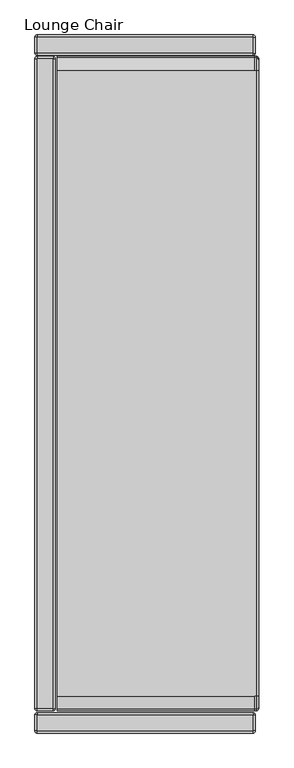
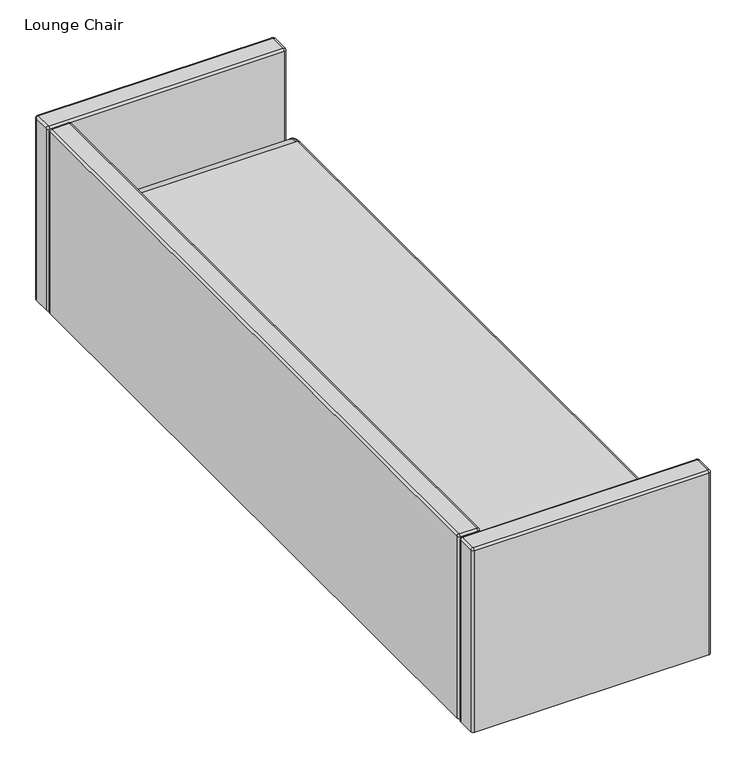
"""IFC4 building model written with IfcOpenShell, lengths in millimetres: furniture geometry, Lounge Chair."""

from ifc_helpers import new_model, si_unit, point, frame, origin, place, context, project, spatial, circle_curve, ellipse_curve, trimmed, source, transform, mapped, element, save
from ifc_brep_helpers import plane_surface, cylinder_surface, revolved_surface, advanced_brep


def lounge_chair_d19fc58a(model_context):
    return source(origin(), model_context, "Body", "AdvancedBrep", [
        advanced_brep(
        [(389.2550121, -1113.2823208, 380.4601261), (389.2550121, -1113.2823208, 158.4162102), (389.2550121, 1113.2823208, 158.4162102), (389.2550121, 1113.2823208, 380.4601261), (389.2550121, 1110.355245, 388.2040831), (389.2550121, 1072.6197436, 405.2378073), (389.2550121, -1072.6197436, 405.2378073), (389.2550121, -1110.355245, 388.2040831), (380.6423692, -1116.8145532, 393.9010082), (376.5550121, -1116.8145532, 393.9010082), (376.5550121, -1121.8949637, 380.4601261), (380.6423692, -1121.8949637, 380.4601261), (380.6423692, -1072.6197436, 413.8504501), (376.5550121, -1072.6197436, 413.8504501), (380.6423692, 1072.6197436, 413.8504501), (376.5550121, 1072.6197436, 413.8504501), (-301.6249939, 1072.6197436, 413.8504501), (-301.6249939, -1072.6197436, 413.8504501), (380.6423692, 1116.8145532, 393.9010082), (376.5550121, 1116.8145532, 393.9010082), (380.6423692, 1121.8949637, 380.4601261), (376.5550121, 1121.8949637, 380.4601261), (380.6423692, 1121.8949637, 149.8035673), (-301.6249939, 1121.8949637, 149.8035673), (-301.6249939, 1121.8949637, 380.4601261), (380.6423692, -1121.8949637, 149.8035673), (-301.6249939, -1121.8949637, 149.8035673), (-301.6249939, -1121.8949637, 380.4601261), (-301.6249939, 1116.8145532, 393.9010082), (-301.6249939, -1116.8145532, 393.9010082)],
        [
            (0, 1),
            (1, 2),
            (2, 3),
            (3, 4, circle_curve(frame((389.2550121, 1101.5749637, 380.4601261), z_axis=(1.0, 0.0, 0.0), x_axis=(0.0, 0.7499797991905162, 0.6614607326260216)), 11.7073571)),
            (4, 5, circle_curve(frame((389.2550121, 1072.6197436, 354.9224501), z_axis=(1.0, 0.0, 0.0), x_axis=(0.0, 0.0, 1.0)), 50.3153571)),
            (5, 6),
            (6, 7, circle_curve(frame((389.2550121, -1072.6197436, 354.9224501), z_axis=(1.0, 0.0, 0.0), x_axis=(0.0, -0.7499797991863966, 0.6614607326306924)), 50.3153571)),
            (7, 0, circle_curve(frame((389.2550121, -1101.5749637, 380.4601261), z_axis=(1.0, 0.0, 0.0), x_axis=(0.0, -1.0, 0.0)), 11.7073571)),
            (8, 9),
            (9, 10, circle_curve(frame((376.5550121, -1101.5749637, 380.4601261), z_axis=(1.0, 0.0, 0.0), x_axis=(0.0, -1.0, 0.0)), 20.32)),
            (10, 11),
            (11, 8, circle_curve(frame((380.6423692, -1101.5749637, 380.4601261), z_axis=(-1.0, 0.0, 0.0), x_axis=(0.0, -1.0, 0.0)), 20.32)),
            (11, 0, circle_curve(frame((380.6423692, -1113.2823208, 380.4601261), z_axis=(0.0, 0.0, 1.0), x_axis=(0.0, 1.0, 0.0)), 8.6126429)),
            (7, 8, circle_curve(frame((380.6423692, -1110.355245, 388.2040831), z_axis=(0.0, -0.6614607326307097, -0.7499797991863812), x_axis=(0.0, 0.7499797991863812, -0.6614607326307097)), 8.6126429)),
            (8, 12, circle_curve(frame((380.6423692, -1072.6197436, 354.9224501), z_axis=(-1.0, 0.0, 0.0), x_axis=(0.0, -0.7499797991863966, 0.6614607326306924)), 58.928)),
            (12, 13),
            (13, 9, circle_curve(frame((376.5550121, -1072.6197436, 354.9224501), z_axis=(1.0, 0.0, 0.0), x_axis=(0.0, -0.7499797991863966, 0.6614607326306924)), 58.928)),
            (6, 12, circle_curve(frame((380.6423692, -1072.6197436, 405.2378073), z_axis=(0.0, -1.0, 0.0), x_axis=(0.0, 0.0, -1.0)), 8.6126429)),
            (12, 14),
            (14, 15),
            (15, 16),
            (16, 17),
            (17, 13),
            (5, 14, circle_curve(frame((380.6423692, 1072.6197436, 405.2378073), z_axis=(0.0, -1.0, 0.0), x_axis=(0.0, 0.0, -1.0)), 8.6126429)),
            (14, 18, circle_curve(frame((380.6423692, 1072.6197436, 354.9224501), z_axis=(-1.0, 0.0, 0.0), x_axis=(0.0, 0.0, 1.0)), 58.928)),
            (18, 19),
            (19, 15, circle_curve(frame((376.5550121, 1072.6197436, 354.9224501), z_axis=(1.0, 0.0, 0.0), x_axis=(0.0, 0.0, 1.0)), 58.928)),
            (4, 18, circle_curve(frame((380.6423692, 1110.355245, 388.2040831), z_axis=(0.0, -0.6614607326260227, 0.749979799190515), x_axis=(0.0, -0.749979799190515, -0.6614607326260227)), 8.6126429)),
            (18, 20, circle_curve(frame((380.6423692, 1101.5749637, 380.4601261), z_axis=(-1.0, 0.0, 0.0), x_axis=(0.0, 0.7499797991905162, 0.6614607326260216)), 20.32)),
            (20, 21),
            (21, 19, circle_curve(frame((376.5550121, 1101.5749637, 380.4601261), z_axis=(1.0, 0.0, 0.0), x_axis=(0.0, 0.7499797991905162, 0.6614607326260216)), 20.32)),
            (3, 20, circle_curve(frame((380.6423692, 1113.2823208, 380.4601261), z_axis=(0.0, 0.0, 1.0), x_axis=(0.0, -1.0, 0.0)), 8.6126429)),
            (20, 22),
            (22, 23),
            (23, 24),
            (24, 21),
            (2, 22, ellipse_curve(frame((380.6423692, 1113.2823208, 158.4162102), z_axis=(0.0, 0.7071067811865474, 0.7071067811865476), x_axis=(0.0, -0.7071067811865475, 0.7071067811865475)), 12.1801164, 8.6126429)),
            (22, 25),
            (25, 26),
            (26, 23),
            (1, 25, ellipse_curve(frame((380.6423692, -1113.2823208, 158.4162102), z_axis=(0.0, 0.7071067811865476, -0.7071067811865474), x_axis=(0.0, 0.7071067811865475, 0.7071067811865475)), 12.1801164, 8.6126429)),
            (10, 27),
            (27, 26),
            (25, 11),
            (16, 28, circle_curve(frame((-301.6249939, 1072.6197436, 354.9224501), z_axis=(-1.0, 0.0, 0.0), x_axis=(0.0, -1.0, 0.0)), 58.928)),
            (28, 24, circle_curve(frame((-301.6249939, 1101.5749637, 380.4601261), z_axis=(-1.0, 0.0, 0.0), x_axis=(0.0, -1.0, 0.0)), 20.32)),
            (27, 29, circle_curve(frame((-301.6249939, -1101.5749637, 380.4601261), z_axis=(-1.0, 0.0, 0.0), x_axis=(0.0, -1.0, 0.0)), 20.32)),
            (29, 17, circle_curve(frame((-301.6249939, -1072.6197436, 354.9224501), z_axis=(-1.0, 0.0, 0.0), x_axis=(0.0, -1.0, 0.0)), 58.928)),
            (19, 28),
            (9, 29),
        ],
        [
            plane_surface(frame((389.2550121, 1026.3917436, 354.9224501), z_axis=(1.0, 0.0, 0.0), x_axis=(0.0, 0.0, 1.0))),
            cylinder_surface(frame((376.5550121, -1101.5749637, 380.4601261), z_axis=(1.0, 0.0, 0.0), x_axis=(0.0, -1.0, 0.0)), 20.32),
            revolved_surface(trimmed(ellipse_curve(frame((380.6423692, -1113.2823208, 380.4601261), z_axis=(0.0, 0.0, 1.0), x_axis=(0.0, 1.0, 0.0)), 8.6126429, 8.6126429), [point((380.6423692, -1121.8949637, 380.4601261))], [point((389.2550121, -1113.2823208, 380.4601261))], True, "CARTESIAN"), (376.5550121, -1101.5749637, 380.4601261), (1.0, 0.0, 0.0)),
            cylinder_surface(frame((376.5550121, -1072.6197436, 354.9224501), z_axis=(1.0, 0.0, 0.0), x_axis=(0.0, -0.7499797991863966, 0.6614607326306924)), 58.928),
            revolved_surface(trimmed(ellipse_curve(frame((380.6423692, -1110.355245, 388.2040831), z_axis=(0.0, 0.6614607326306924, 0.7499797991863966), x_axis=(0.0, 0.7499797991863966, -0.6614607326306924)), 8.6126429, 8.6126429), [point((380.6423692, -1116.8145532, 393.9010082))], [point((389.2550121, -1110.355245, 388.2040831))], True, "CARTESIAN"), (376.5550121, -1072.6197436, 354.9224501), (1.0, 0.0, 0.0)),
            plane_surface(frame((376.5550121, -1072.6197436, 413.8504501), z_axis=(0.0, 0.0, 1.0), x_axis=(0.0, 1.0, 0.0))),
            cylinder_surface(frame((380.6423692, -1072.6197436, 405.2378073), z_axis=(0.0, -1.0, 0.0), x_axis=(0.0, 0.0, -1.0)), 8.6126429),
            cylinder_surface(frame((376.5550121, 1072.6197436, 354.9224501), z_axis=(1.0, 0.0, 0.0), x_axis=(0.0, 0.0, 1.0)), 58.928),
            revolved_surface(trimmed(ellipse_curve(frame((380.6423692, 1072.6197436, 405.2378073), z_axis=(0.0, 1.0, 0.0), x_axis=(0.0, 0.0, -1.0)), 8.6126429, 8.6126429), [point((380.6423692, 1072.6197436, 413.8504501))], [point((389.2550121, 1072.6197436, 405.2378073))], True, "CARTESIAN"), (376.5550121, 1072.6197436, 354.9224501), (1.0, 0.0, 0.0)),
            cylinder_surface(frame((376.5550121, 1101.5749637, 380.4601261), z_axis=(1.0, 0.0, 0.0), x_axis=(0.0, 0.7499797991905162, 0.6614607326260216)), 20.32),
            revolved_surface(trimmed(ellipse_curve(frame((380.6423692, 1110.355245, 388.2040831), z_axis=(0.0, 0.6614607326260217, -0.749979799190516), x_axis=(0.0, -0.749979799190516, -0.6614607326260217)), 8.6126429, 8.6126429), [point((380.6423692, 1116.8145532, 393.9010082))], [point((389.2550121, 1110.355245, 388.2040831))], True, "CARTESIAN"), (376.5550121, 1101.5749637, 380.4601261), (1.0, 0.0, 0.0)),
            plane_surface(frame((376.5550121, 1121.8949637, 380.4601261), z_axis=(0.0, 1.0, 0.0), x_axis=(0.0, 0.0, -1.0))),
            cylinder_surface(frame((380.6423692, 1113.2823208, 380.4601261), z_axis=(0.0, 0.0, 1.0), x_axis=(0.0, -1.0, 0.0)), 8.6126429),
            plane_surface(frame((376.5550121, 1121.8949637, 149.8035673), z_axis=(0.0, 0.0, -1.0), x_axis=(0.0, -1.0, 0.0))),
            cylinder_surface(frame((380.6423692, 1109.1949637, 158.4162102), z_axis=(0.0, 1.0, 0.0), x_axis=(0.0, 0.0, 1.0)), 8.6126429),
            plane_surface(frame((376.5550121, -1121.8949637, 149.8035673), z_axis=(0.0, -1.0, 0.0), x_axis=(0.0, 0.0, 1.0))),
            cylinder_surface(frame((380.6423692, -1113.2823208, 162.5035673), z_axis=(0.0, 0.0, -1.0), x_axis=(0.0, 1.0, 0.0)), 8.6126429),
            plane_surface(frame((-301.6249939, 1072.6197436, 413.8504501), z_axis=(-1.0, 0.0, 0.0), x_axis=(0.0, -1.0, 0.0))),
            cylinder_surface(frame((-301.6249939, 1072.6197436, 354.9224501), z_axis=(1.0, 0.0, 0.0), x_axis=(0.0, -1.0, 0.0)), 58.928),
            cylinder_surface(frame((-301.6249939, 1101.5749637, 380.4601261), z_axis=(1.0, 0.0, 0.0), x_axis=(0.0, -1.0, 0.0)), 20.32),
            cylinder_surface(frame((-301.6249939, -1101.5749637, 380.4601261), z_axis=(1.0, 0.0, 0.0), x_axis=(0.0, -1.0, 0.0)), 20.32),
            cylinder_surface(frame((-301.6249939, -1072.6197436, 354.9224501), z_axis=(1.0, 0.0, 0.0), x_axis=(0.0, -1.0, 0.0)), 58.928),
        ],
        [
            (0, [[1, 2, 3, 4, 5, 6, 7, 8]]),
            (1, [[9, 10, 11, 12]]),
            (2, [[13, -8, 14, -12]]),
            (3, [[15, 16, 17, -9]]),
            (4, [[-7, 18, -15, -14]]),
            (5, [[19, 20, 21, 22, 23, -16]]),
            (6, [[-6, 24, -19, -18]]),
            (7, [[25, 26, 27, -20]]),
            (8, [[-5, 28, -25, -24]]),
            (9, [[29, 30, 31, -26]]),
            (10, [[-4, 32, -29, -28]]),
            (11, [[33, 34, 35, 36, -30]]),
            (12, [[-3, 37, -33, -32]]),
            (13, [[38, 39, 40, -34]]),
            (14, [[-2, 41, -38, -37]]),
            (15, [[42, 43, -39, 44, -11]]),
            (16, [[-44, -41, -1, -13]]),
            (17, [[-22, 45, 46, -35, -40, -43, 47, 48]]),
            (18, [[-21, -27, 49, -45]]),
            (19, [[-49, -31, -36, -46]]),
            (20, [[-42, -10, 50, -47]]),
            (21, [[-50, -17, -23, -48]]),
        ],
    ),
        advanced_brep(
        [(370.2050121, 1189.2049879, 692.15), (371.4750121, 1187.9349879, 692.15), (377.8250121, 1187.9349879, 685.8), (370.2050121, 1195.5549879, 685.8), (371.4750121, 1133.3249637, 692.15), (377.8250121, 1133.3249637, 685.8), (370.2050121, 1132.0549637, 692.15), (370.2050121, 1125.7049637, 685.8), (-370.2050121, 1132.0549637, 692.15), (-370.2050121, 1125.7049637, 685.8), (-371.4750121, 1133.3249637, 692.15), (-377.8250121, 1133.3249637, 685.8), (-371.4750121, 1187.9349879, 692.15), (-377.8250121, 1187.9349879, 685.8), (-370.2050121, 1189.2049879, 692.15), (-370.2050121, 1195.5549879, 685.8), (377.8250121, 1187.9349879, 79.374997), (377.8250121, 1133.3249637, 79.374997), (370.2050121, 1125.7049637, 79.374997), (-370.2050121, 1125.7049637, 79.374997), (-377.8250121, 1133.3249637, 79.374997), (-377.8250121, 1187.9349879, 79.374997), (-370.2050121, 1195.5549879, 79.374997), (370.2050121, 1195.5549879, 79.374997)],
        [
            (0, 1, circle_curve(frame((370.2050121, 1187.9349879, 692.15), z_axis=(0.0, 0.0, -1.0), x_axis=(0.0, 1.0, 0.0)), 1.27)),
            (1, 2, circle_curve(frame((371.4750121, 1187.9349879, 685.8), z_axis=(0.0, 1.0, 0.0), x_axis=(-1.0, 0.0, 0.0)), 6.35)),
            (2, 3, circle_curve(frame((370.2050121, 1187.9349879, 685.8), z_axis=(0.0, 0.0, 1.0), x_axis=(0.0, 1.0, 0.0)), 7.62)),
            (3, 0, circle_curve(frame((370.2050121, 1189.2049879, 685.8), z_axis=(1.0, 0.0, 0.0), x_axis=(0.0, -1.0, 0.0)), 6.35)),
            (1, 4),
            (4, 5, circle_curve(frame((371.4750121, 1133.3249637, 685.8), z_axis=(0.0, 1.0, 0.0), x_axis=(-1.0, 0.0, 0.0)), 6.35)),
            (5, 2),
            (4, 6, circle_curve(frame((370.2050121, 1133.3249637, 692.15), z_axis=(0.0, 0.0, -1.0), x_axis=(1.0, 0.0, 0.0)), 1.27)),
            (6, 7, circle_curve(frame((370.2050121, 1132.0549637, 685.8), z_axis=(1.0, 0.0, 0.0), x_axis=(0.0, 1.0, 0.0)), 6.35)),
            (7, 5, circle_curve(frame((370.2050121, 1133.3249637, 685.8), z_axis=(0.0, 0.0, 1.0), x_axis=(1.0, 0.0, 0.0)), 7.62)),
            (6, 8),
            (8, 9, circle_curve(frame((-370.2050121, 1132.0549637, 685.8), z_axis=(1.0, 0.0, 0.0), x_axis=(0.0, 1.0, 0.0)), 6.35)),
            (9, 7),
            (8, 10, circle_curve(frame((-370.2050121, 1133.3249637, 692.15), z_axis=(0.0, 0.0, -1.0), x_axis=(0.0, -1.0, 0.0)), 1.27)),
            (10, 11, circle_curve(frame((-371.4750121, 1133.3249637, 685.8), z_axis=(0.0, -1.0, 0.0), x_axis=(1.0, 0.0, 0.0)), 6.35)),
            (11, 9, circle_curve(frame((-370.2050121, 1133.3249637, 685.8), z_axis=(0.0, 0.0, 1.0), x_axis=(0.0, -1.0, 0.0)), 7.62)),
            (10, 12),
            (12, 13, circle_curve(frame((-371.4750121, 1187.9349879, 685.8), z_axis=(0.0, -1.0, 0.0), x_axis=(1.0, 0.0, 0.0)), 6.35)),
            (13, 11),
            (12, 14, circle_curve(frame((-370.2050121, 1187.9349879, 692.15), z_axis=(0.0, 0.0, -1.0), x_axis=(-1.0, 0.0, 0.0)), 1.27)),
            (14, 15, circle_curve(frame((-370.2050121, 1189.2049879, 685.8), z_axis=(-1.0, 0.0, 0.0), x_axis=(0.0, -1.0, 0.0)), 6.35)),
            (15, 13, circle_curve(frame((-370.2050121, 1187.9349879, 685.8), z_axis=(0.0, 0.0, 1.0), x_axis=(-1.0, 0.0, 0.0)), 7.62)),
            (3, 15),
            (14, 0),
            (16, 17),
            (17, 18, circle_curve(frame((370.2050121, 1133.3249637, 79.374997), z_axis=(0.0, 0.0, -1.0), x_axis=(1.0, 0.0, 0.0)), 7.62)),
            (18, 19),
            (19, 20, circle_curve(frame((-370.2050121, 1133.3249637, 79.374997), z_axis=(0.0, 0.0, -1.0), x_axis=(1.0, 0.0, 0.0)), 7.62)),
            (20, 21),
            (21, 22, circle_curve(frame((-370.2050121, 1187.9349879, 79.374997), z_axis=(0.0, 0.0, -1.0), x_axis=(1.0, 0.0, 0.0)), 7.62)),
            (22, 23),
            (23, 16, circle_curve(frame((370.2050121, 1187.9349879, 79.374997), z_axis=(0.0, 0.0, -1.0), x_axis=(1.0, 0.0, 0.0)), 7.62)),
            (16, 2),
            (5, 17),
            (18, 7),
            (9, 19),
            (20, 11),
            (13, 21),
            (22, 15),
            (3, 23),
        ],
        [
            revolved_surface(trimmed(ellipse_curve(frame((370.2050121, 1189.2049879, 685.8), z_axis=(1.0, 0.0, 0.0), x_axis=(0.0, -1.0, 0.0)), 6.35, 6.35), [point((370.2050121, 1195.5549879, 685.8))], [point((370.2050121, 1189.2049879, 692.15))], True, "CARTESIAN"), (370.2050121, 1187.9349879, 685.8), (0.0, 0.0, 1.0)),
            cylinder_surface(frame((371.4750121, 1187.9349879, 685.8), z_axis=(0.0, 1.0, 0.0), x_axis=(-1.0, 0.0, 0.0)), 6.35),
            revolved_surface(trimmed(ellipse_curve(frame((371.4750121, 1133.3249637, 685.8), z_axis=(0.0, -1.0, 0.0), x_axis=(-1.0, 0.0, 0.0)), 6.35, 6.35), [point((377.8250121, 1133.3249637, 685.8))], [point((371.4750121, 1133.3249637, 692.15))], True, "CARTESIAN"), (370.2050121, 1133.3249637, 685.8), (0.0, 0.0, 1.0)),
            cylinder_surface(frame((370.2050121, 1132.0549637, 685.8), z_axis=(1.0, 0.0, 0.0), x_axis=(0.0, 1.0, 0.0)), 6.35),
            revolved_surface(trimmed(ellipse_curve(frame((-370.2050121, 1132.0549637, 685.8), z_axis=(-1.0, 0.0, 0.0), x_axis=(0.0, 1.0, 0.0)), 6.35, 6.35), [point((-370.2050121, 1125.7049637, 685.8))], [point((-370.2050121, 1132.0549637, 692.15))], True, "CARTESIAN"), (-370.2050121, 1133.3249637, 685.8), (0.0, 0.0, 1.0)),
            cylinder_surface(frame((-371.4750121, 1133.3249637, 685.8), z_axis=(0.0, -1.0, 0.0), x_axis=(1.0, 0.0, 0.0)), 6.35),
            revolved_surface(trimmed(ellipse_curve(frame((-371.4750121, 1187.9349879, 685.8), z_axis=(0.0, 1.0, 0.0), x_axis=(1.0, 0.0, 0.0)), 6.35, 6.35), [point((-377.8250121, 1187.9349879, 685.8))], [point((-371.4750121, 1187.9349879, 692.15))], True, "CARTESIAN"), (-370.2050121, 1187.9349879, 685.8), (0.0, 0.0, 1.0)),
            cylinder_surface(frame((-370.2050121, 1189.2049879, 685.8), z_axis=(-1.0, 0.0, 0.0), x_axis=(0.0, -1.0, 0.0)), 6.35),
            plane_surface(frame((377.8250121, -1190.4749637, 79.374997), z_axis=(0.0, 0.0, -1.0), x_axis=(0.0, 1.0, 0.0))),
            plane_surface(frame((377.8250121, 1187.9349879, 685.8), z_axis=(1.0, 0.0, 0.0), x_axis=(0.0, 0.0, -1.0))),
            plane_surface(frame((370.2050121, 1125.7049637, 685.8), z_axis=(0.0, -1.0, 0.0), x_axis=(0.0, 0.0, -1.0))),
            plane_surface(frame((-377.8250121, 1133.3249637, 685.8), z_axis=(-1.0, 0.0, 0.0), x_axis=(0.0, 0.0, -1.0))),
            plane_surface(frame((-370.2050121, 1195.5549879, 685.8), z_axis=(0.0, 1.0, 0.0), x_axis=(0.0, 0.0, -1.0))),
            cylinder_surface(frame((370.2050121, 1133.3249637, 0.0), z_axis=(0.0, 0.0, 1.0), x_axis=(1.0, 0.0, 0.0)), 7.62),
            cylinder_surface(frame((-370.2050121, 1133.3249637, 0.0), z_axis=(0.0, 0.0, 1.0), x_axis=(1.0, 0.0, 0.0)), 7.62),
            cylinder_surface(frame((-370.2050121, 1187.9349879, 0.0), z_axis=(0.0, 0.0, 1.0), x_axis=(1.0, 0.0, 0.0)), 7.62),
            cylinder_surface(frame((370.2050121, 1187.9349879, 0.0), z_axis=(0.0, 0.0, 1.0), x_axis=(1.0, 0.0, 0.0)), 7.62),
            plane_surface(frame((-368.9350121, 1187.9349879, 692.15), z_axis=(0.0, 0.0, 1.0), x_axis=(0.0, -1.0, 0.0))),
        ],
        [
            (0, [[1, 2, 3, 4]]),
            (1, [[5, 6, 7, -2]]),
            (2, [[8, 9, 10, -6]]),
            (3, [[11, 12, 13, -9]]),
            (4, [[14, 15, 16, -12]]),
            (5, [[17, 18, 19, -15]]),
            (6, [[20, 21, 22, -18]]),
            (7, [[23, -21, 24, -4]]),
            (8, [[25, 26, 27, 28, 29, 30, 31, 32]]),
            (9, [[33, -7, 34, -25]]),
            (10, [[35, -13, 36, -27]]),
            (11, [[37, -19, 38, -29]]),
            (12, [[39, -23, 40, -31]]),
            (13, [[-34, -10, -35, -26]]),
            (14, [[-36, -16, -37, -28]]),
            (15, [[-38, -22, -39, -30]]),
            (16, [[-40, -3, -33, -32]]),
            (17, [[-24, -20, -17, -14, -11, -8, -5, -1]]),
        ],
    ),
        advanced_brep(
        [(377.8250121, -1190.4749637, 79.374997), (370.2050121, -1198.0949637, 79.374997), (-370.2050121, -1198.0949637, 79.374997), (-377.8250121, -1190.4749637, 79.374997), (-377.8250121, -1135.8649394, 79.374997), (-370.2050121, -1128.2449394, 79.374997), (370.2050121, -1128.2449394, 79.374997), (377.8250121, -1135.8649394, 79.374997), (370.2050121, -1198.0949637, 685.8), (-370.2050121, -1198.0949637, 685.8), (-377.8250121, -1190.4749637, 685.8), (-377.8250121, -1135.8649394, 685.8), (-370.2050121, -1128.2449394, 685.8), (370.2050121, -1128.2449394, 685.8), (377.8250121, -1135.8649394, 685.8), (377.8250121, -1190.4749637, 685.8), (371.4750121, -1190.4749637, 692.15), (370.2050121, -1191.7449637, 692.15), (-370.2050121, -1191.7449637, 692.15), (-371.4750121, -1190.4749637, 692.15), (-371.4750121, -1135.8649394, 692.15), (-370.2050121, -1134.5949394, 692.15), (370.2050121, -1134.5949394, 692.15), (371.4750121, -1135.8649394, 692.15)],
        [
            (0, 1, circle_curve(frame((370.2050121, -1190.4749637, 79.374997), z_axis=(0.0, 0.0, -1.0), x_axis=(1.0, 0.0, 0.0)), 7.62)),
            (1, 2),
            (2, 3, circle_curve(frame((-370.2050121, -1190.4749637, 79.374997), z_axis=(0.0, 0.0, -1.0), x_axis=(1.0, 0.0, 0.0)), 7.62)),
            (3, 4),
            (4, 5, circle_curve(frame((-370.2050121, -1135.8649394, 79.374997), z_axis=(0.0, 0.0, -1.0), x_axis=(1.0, 0.0, 0.0)), 7.62)),
            (5, 6),
            (6, 7, circle_curve(frame((370.2050121, -1135.8649394, 79.374997), z_axis=(0.0, 0.0, -1.0), x_axis=(1.0, 0.0, 0.0)), 7.62)),
            (7, 0),
            (1, 8),
            (8, 9),
            (9, 2),
            (3, 10),
            (10, 11),
            (11, 4),
            (5, 12),
            (12, 13),
            (13, 6),
            (7, 14),
            (14, 15),
            (15, 0),
            (15, 8, circle_curve(frame((370.2050121, -1190.4749637, 685.8), z_axis=(0.0, 0.0, -1.0), x_axis=(1.0, 0.0, 0.0)), 7.62)),
            (9, 10, circle_curve(frame((-370.2050121, -1190.4749637, 685.8), z_axis=(0.0, 0.0, -1.0), x_axis=(1.0, 0.0, 0.0)), 7.62)),
            (11, 12, circle_curve(frame((-370.2050121, -1135.8649394, 685.8), z_axis=(0.0, 0.0, -1.0), x_axis=(1.0, 0.0, 0.0)), 7.62)),
            (13, 14, circle_curve(frame((370.2050121, -1135.8649394, 685.8), z_axis=(0.0, 0.0, -1.0), x_axis=(1.0, 0.0, 0.0)), 7.62)),
            (16, 17, circle_curve(frame((370.2050121, -1190.4749637, 692.15), z_axis=(0.0, 0.0, -1.0), x_axis=(1.0, 0.0, 0.0)), 1.27)),
            (17, 8, circle_curve(frame((370.2050121, -1191.7449637, 685.8), z_axis=(1.0, 0.0, 0.0), x_axis=(0.0, 1.0, 0.0)), 6.35)),
            (15, 16, circle_curve(frame((371.4750121, -1190.4749637, 685.8), z_axis=(0.0, -1.0, 0.0), x_axis=(-1.0, 0.0, 0.0)), 6.35)),
            (17, 18),
            (18, 9, circle_curve(frame((-370.2050121, -1191.7449637, 685.8), z_axis=(1.0, 0.0, 0.0), x_axis=(0.0, 1.0, 0.0)), 6.35)),
            (18, 19, circle_curve(frame((-370.2050121, -1190.4749637, 692.15), z_axis=(0.0, 0.0, -1.0), x_axis=(0.0, -1.0, 0.0)), 1.27)),
            (19, 10, circle_curve(frame((-371.4750121, -1190.4749637, 685.8), z_axis=(0.0, -1.0, 0.0), x_axis=(1.0, 0.0, 0.0)), 6.35)),
            (19, 20),
            (20, 11, circle_curve(frame((-371.4750121, -1135.8649394, 685.8), z_axis=(0.0, -1.0, 0.0), x_axis=(1.0, 0.0, 0.0)), 6.35)),
            (20, 21, circle_curve(frame((-370.2050121, -1135.8649394, 692.15), z_axis=(0.0, 0.0, -1.0), x_axis=(-1.0, 0.0, 0.0)), 1.27)),
            (21, 12, circle_curve(frame((-370.2050121, -1134.5949394, 685.8), z_axis=(-1.0, 0.0, 0.0), x_axis=(0.0, -1.0, 0.0)), 6.35)),
            (21, 22),
            (22, 13, circle_curve(frame((370.2050121, -1134.5949394, 685.8), z_axis=(-1.0, 0.0, 0.0), x_axis=(0.0, -1.0, 0.0)), 6.35)),
            (22, 23, circle_curve(frame((370.2050121, -1135.8649394, 692.15), z_axis=(0.0, 0.0, -1.0), x_axis=(0.0, 1.0, 0.0)), 1.27)),
            (23, 14, circle_curve(frame((371.4750121, -1135.8649394, 685.8), z_axis=(0.0, 1.0, 0.0), x_axis=(-1.0, 0.0, 0.0)), 6.35)),
            (23, 16),
        ],
        [
            plane_surface(frame((377.8250121, -1190.4749637, 79.374997), z_axis=(0.0, 0.0, -1.0), x_axis=(0.0, 1.0, 0.0))),
            plane_surface(frame((370.2050121, -1198.0949637, 685.8), z_axis=(0.0, -1.0, 0.0), x_axis=(0.0, 0.0, -1.0))),
            plane_surface(frame((-377.8250121, -1190.4749637, 685.8), z_axis=(-1.0, 0.0, 0.0), x_axis=(0.0, 0.0, -1.0))),
            plane_surface(frame((-370.2050121, -1128.2449394, 685.8), z_axis=(0.0, 1.0, 0.0), x_axis=(0.0, 0.0, -1.0))),
            plane_surface(frame((377.8250121, -1135.8649394, 685.8), z_axis=(1.0, 0.0, 0.0), x_axis=(0.0, 0.0, -1.0))),
            cylinder_surface(frame((370.2050121, -1190.4749637, 79.374997), z_axis=(0.0, 0.0, 1.0), x_axis=(1.0, 0.0, 0.0)), 7.62),
            cylinder_surface(frame((-370.2050121, -1190.4749637, 79.374997), z_axis=(0.0, 0.0, 1.0), x_axis=(1.0, 0.0, 0.0)), 7.62),
            cylinder_surface(frame((-370.2050121, -1135.8649394, 79.374997), z_axis=(0.0, 0.0, 1.0), x_axis=(1.0, 0.0, 0.0)), 7.62),
            cylinder_surface(frame((370.2050121, -1135.8649394, 79.374997), z_axis=(0.0, 0.0, 1.0), x_axis=(1.0, 0.0, 0.0)), 7.62),
            revolved_surface(trimmed(ellipse_curve(frame((371.4750121, -1190.4749637, 685.8), z_axis=(0.0, -1.0, 0.0), x_axis=(-1.0, 0.0, 0.0)), 6.35, 6.35), [point((377.8250121, -1190.4749637, 685.8))], [point((371.4750121, -1190.4749637, 692.15))], True, "CARTESIAN"), (370.2050121, -1190.4749637, 685.8), (0.0, 0.0, 1.0)),
            cylinder_surface(frame((370.2050121, -1191.7449637, 685.8), z_axis=(1.0, 0.0, 0.0), x_axis=(0.0, 1.0, 0.0)), 6.35),
            revolved_surface(trimmed(ellipse_curve(frame((-370.2050121, -1191.7449637, 685.8), z_axis=(-1.0, 0.0, 0.0), x_axis=(0.0, 1.0, 0.0)), 6.35, 6.35), [point((-370.2050121, -1198.0949637, 685.8))], [point((-370.2050121, -1191.7449637, 692.15))], True, "CARTESIAN"), (-370.2050121, -1190.4749637, 685.8), (0.0, 0.0, 1.0)),
            cylinder_surface(frame((-371.4750121, -1190.4749637, 685.8), z_axis=(0.0, -1.0, 0.0), x_axis=(1.0, 0.0, 0.0)), 6.35),
            revolved_surface(trimmed(ellipse_curve(frame((-371.4750121, -1135.8649394, 685.8), z_axis=(0.0, 1.0, 0.0), x_axis=(1.0, 0.0, 0.0)), 6.35, 6.35), [point((-377.8250121, -1135.8649394, 685.8))], [point((-371.4750121, -1135.8649394, 692.15))], True, "CARTESIAN"), (-370.2050121, -1135.8649394, 685.8), (0.0, 0.0, 1.0)),
            cylinder_surface(frame((-370.2050121, -1134.5949394, 685.8), z_axis=(-1.0, 0.0, 0.0), x_axis=(0.0, -1.0, 0.0)), 6.35),
            revolved_surface(trimmed(ellipse_curve(frame((370.2050121, -1134.5949394, 685.8), z_axis=(1.0, 0.0, 0.0), x_axis=(0.0, -1.0, 0.0)), 6.35, 6.35), [point((370.2050121, -1128.2449394, 685.8))], [point((370.2050121, -1134.5949394, 692.15))], True, "CARTESIAN"), (370.2050121, -1135.8649394, 685.8), (0.0, 0.0, 1.0)),
            cylinder_surface(frame((371.4750121, -1135.8649394, 685.8), z_axis=(0.0, 1.0, 0.0), x_axis=(-1.0, 0.0, 0.0)), 6.35),
            plane_surface(frame((371.4750121, -1135.8649394, 692.15), z_axis=(0.0, 0.0, 1.0), x_axis=(0.0, -1.0, 0.0))),
        ],
        [
            (0, [[1, 2, 3, 4, 5, 6, 7, 8]]),
            (1, [[9, 10, 11, -2]]),
            (2, [[12, 13, 14, -4]]),
            (3, [[15, 16, 17, -6]]),
            (4, [[18, 19, 20, -8]]),
            (5, [[-20, 21, -9, -1]]),
            (6, [[-11, 22, -12, -3]]),
            (7, [[-14, 23, -15, -5]]),
            (8, [[-17, 24, -18, -7]]),
            (9, [[25, 26, -21, 27]]),
            (10, [[28, 29, -10, -26]]),
            (11, [[30, 31, -22, -29]]),
            (12, [[32, 33, -13, -31]]),
            (13, [[34, 35, -23, -33]]),
            (14, [[36, 37, -16, -35]]),
            (15, [[38, 39, -24, -37]]),
            (16, [[-19, -39, 40, -27]]),
            (17, [[-40, -38, -36, -34, -32, -30, -28, -25]]),
        ],
    ),
        advanced_brep(
        [(-370.2050121, 1121.8949637, 79.374997), (-315.5949879, 1121.8949637, 79.374997), (-307.9749879, 1114.2749637, 79.374997), (-307.9749879, -1114.2749637, 79.374997), (-315.5949879, -1121.8949637, 79.374997), (-370.2050121, -1121.8949637, 79.374997), (-377.8250121, -1114.2749637, 79.374997), (-377.8250121, 1114.2749637, 79.374997), (-370.2050121, 1121.8949637, 685.8), (-315.5949879, 1121.8949637, 685.8), (-307.9749879, 1114.2749637, 685.8), (-307.9749879, -1114.2749637, 685.8), (-315.5949879, -1121.8949637, 685.8), (-370.2050121, -1121.8949637, 685.8), (-377.8250121, -1114.2749637, 685.8), (-377.8250121, 1114.2749637, 685.8), (-371.4750121, 1114.2749637, 692.15), (-370.2050121, 1115.5449637, 692.15), (-315.5949879, 1115.5449637, 692.15), (-314.3249879, 1114.2749637, 692.15), (-314.3249879, -1114.2749637, 692.15), (-315.5949879, -1115.5449637, 692.15), (-370.2050121, -1115.5449637, 692.15), (-371.4750121, -1114.2749637, 692.15)],
        [
            (0, 1),
            (1, 2, circle_curve(frame((-315.5949879, 1114.2749637, 79.374997), z_axis=(0.0, 0.0, -1.0), x_axis=(1.0, 0.0, 0.0)), 7.62)),
            (2, 3),
            (3, 4, circle_curve(frame((-315.5949879, -1114.2749637, 79.374997), z_axis=(0.0, 0.0, -1.0), x_axis=(1.0, 0.0, 0.0)), 7.62)),
            (4, 5),
            (5, 6, circle_curve(frame((-370.2050121, -1114.2749637, 79.374997), z_axis=(0.0, 0.0, -1.0), x_axis=(1.0, 0.0, 0.0)), 7.62)),
            (6, 7),
            (7, 0, circle_curve(frame((-370.2050121, 1114.2749637, 79.374997), z_axis=(0.0, 0.0, -1.0), x_axis=(1.0, 0.0, 0.0)), 7.62)),
            (0, 8),
            (8, 9),
            (9, 1),
            (2, 10),
            (10, 11),
            (11, 3),
            (4, 12),
            (12, 13),
            (13, 5),
            (6, 14),
            (14, 15),
            (15, 7),
            (9, 10, circle_curve(frame((-315.5949879, 1114.2749637, 685.8), z_axis=(0.0, 0.0, -1.0), x_axis=(1.0, 0.0, 0.0)), 7.62)),
            (11, 12, circle_curve(frame((-315.5949879, -1114.2749637, 685.8), z_axis=(0.0, 0.0, -1.0), x_axis=(1.0, 0.0, 0.0)), 7.62)),
            (13, 14, circle_curve(frame((-370.2050121, -1114.2749637, 685.8), z_axis=(0.0, 0.0, -1.0), x_axis=(1.0, 0.0, 0.0)), 7.62)),
            (15, 8, circle_curve(frame((-370.2050121, 1114.2749637, 685.8), z_axis=(0.0, 0.0, -1.0), x_axis=(1.0, 0.0, 0.0)), 7.62)),
            (16, 17, circle_curve(frame((-370.2050121, 1114.2749637, 692.15), z_axis=(0.0, 0.0, -1.0), x_axis=(-1.0, 0.0, 0.0)), 1.27)),
            (17, 8, circle_curve(frame((-370.2050121, 1115.5449637, 685.8), z_axis=(-1.0, 0.0, 0.0), x_axis=(0.0, -1.0, 0.0)), 6.35)),
            (15, 16, circle_curve(frame((-371.4750121, 1114.2749637, 685.8), z_axis=(0.0, 1.0, 0.0), x_axis=(1.0, 0.0, 0.0)), 6.35)),
            (17, 18),
            (18, 9, circle_curve(frame((-315.5949879, 1115.5449637, 685.8), z_axis=(-1.0, 0.0, 0.0), x_axis=(0.0, -1.0, 0.0)), 6.35)),
            (18, 19, circle_curve(frame((-315.5949879, 1114.2749637, 692.15), z_axis=(0.0, 0.0, -1.0), x_axis=(0.0, 1.0, 0.0)), 1.27)),
            (19, 10, circle_curve(frame((-314.3249879, 1114.2749637, 685.8), z_axis=(0.0, 1.0, 0.0), x_axis=(-1.0, 0.0, 0.0)), 6.35)),
            (19, 20),
            (20, 11, circle_curve(frame((-314.3249879, -1114.2749637, 685.8), z_axis=(0.0, 1.0, 0.0), x_axis=(-1.0, 0.0, 0.0)), 6.35)),
            (20, 21, circle_curve(frame((-315.5949879, -1114.2749637, 692.15), z_axis=(0.0, 0.0, -1.0), x_axis=(1.0, 0.0, 0.0)), 1.27)),
            (21, 12, circle_curve(frame((-315.5949879, -1115.5449637, 685.8), z_axis=(1.0, 0.0, 0.0), x_axis=(0.0, 1.0, 0.0)), 6.35)),
            (21, 22),
            (22, 13, circle_curve(frame((-370.2050121, -1115.5449637, 685.8), z_axis=(1.0, 0.0, 0.0), x_axis=(0.0, 1.0, 0.0)), 6.35)),
            (22, 23, circle_curve(frame((-370.2050121, -1114.2749637, 692.15), z_axis=(0.0, 0.0, -1.0), x_axis=(0.0, -1.0, 0.0)), 1.27)),
            (23, 14, circle_curve(frame((-371.4750121, -1114.2749637, 685.8), z_axis=(0.0, -1.0, 0.0), x_axis=(1.0, 0.0, 0.0)), 6.35)),
            (23, 16),
        ],
        [
            plane_surface(frame((377.8250121, -1190.4749637, 79.374997), z_axis=(0.0, 0.0, -1.0), x_axis=(0.0, 1.0, 0.0))),
            plane_surface(frame((-370.2050121, 1121.8949637, 685.8), z_axis=(0.0, 1.0, 0.0), x_axis=(0.0, 0.0, -1.0))),
            plane_surface(frame((-307.9749879, 1114.2749637, 685.8), z_axis=(1.0, 0.0, 0.0), x_axis=(0.0, 0.0, -1.0))),
            plane_surface(frame((-315.5949879, -1121.8949637, 685.8), z_axis=(0.0, -1.0, 0.0), x_axis=(0.0, 0.0, -1.0))),
            plane_surface(frame((-377.8250121, -1114.2749637, 685.8), z_axis=(-1.0, 0.0, 0.0), x_axis=(0.0, 0.0, -1.0))),
            cylinder_surface(frame((-315.5949879, 1114.2749637, 0.0), z_axis=(0.0, 0.0, 1.0), x_axis=(1.0, 0.0, 0.0)), 7.62),
            cylinder_surface(frame((-315.5949879, -1114.2749637, 0.0), z_axis=(0.0, 0.0, 1.0), x_axis=(1.0, 0.0, 0.0)), 7.62),
            cylinder_surface(frame((-370.2050121, -1114.2749637, 0.0), z_axis=(0.0, 0.0, 1.0), x_axis=(1.0, 0.0, 0.0)), 7.62),
            cylinder_surface(frame((-370.2050121, 1114.2749637, 0.0), z_axis=(0.0, 0.0, 1.0), x_axis=(1.0, 0.0, 0.0)), 7.62),
            revolved_surface(trimmed(ellipse_curve(frame((-371.4750121, 1114.2749637, 685.8), z_axis=(0.0, 1.0, 0.0), x_axis=(1.0, 0.0, 0.0)), 6.35, 6.35), [point((-377.8250121, 1114.2749637, 685.8))], [point((-371.4750121, 1114.2749637, 692.15))], True, "CARTESIAN"), (-370.2050121, 1114.2749637, 685.8), (0.0, 0.0, 1.0)),
            cylinder_surface(frame((-370.2050121, 1115.5449637, 685.8), z_axis=(-1.0, 0.0, 0.0), x_axis=(0.0, -1.0, 0.0)), 6.35),
            revolved_surface(trimmed(ellipse_curve(frame((-315.5949879, 1115.5449637, 685.8), z_axis=(1.0, 0.0, 0.0), x_axis=(0.0, -1.0, 0.0)), 6.35, 6.35), [point((-315.5949879, 1121.8949637, 685.8))], [point((-315.5949879, 1115.5449637, 692.15))], True, "CARTESIAN"), (-315.5949879, 1114.2749637, 685.8), (0.0, 0.0, 1.0)),
            cylinder_surface(frame((-314.3249879, 1114.2749637, 685.8), z_axis=(0.0, 1.0, 0.0), x_axis=(-1.0, 0.0, 0.0)), 6.35),
            revolved_surface(trimmed(ellipse_curve(frame((-314.3249879, -1114.2749637, 685.8), z_axis=(0.0, -1.0, 0.0), x_axis=(-1.0, 0.0, 0.0)), 6.35, 6.35), [point((-307.9749879, -1114.2749637, 685.8))], [point((-314.3249879, -1114.2749637, 692.15))], True, "CARTESIAN"), (-315.5949879, -1114.2749637, 685.8), (0.0, 0.0, 1.0)),
            cylinder_surface(frame((-315.5949879, -1115.5449637, 685.8), z_axis=(1.0, 0.0, 0.0), x_axis=(0.0, 1.0, 0.0)), 6.35),
            revolved_surface(trimmed(ellipse_curve(frame((-370.2050121, -1115.5449637, 685.8), z_axis=(-1.0, 0.0, 0.0), x_axis=(0.0, 1.0, 0.0)), 6.35, 6.35), [point((-370.2050121, -1121.8949637, 685.8))], [point((-370.2050121, -1115.5449637, 692.15))], True, "CARTESIAN"), (-370.2050121, -1114.2749637, 685.8), (0.0, 0.0, 1.0)),
            cylinder_surface(frame((-371.4750121, -1114.2749637, 685.8), z_axis=(0.0, -1.0, 0.0), x_axis=(1.0, 0.0, 0.0)), 6.35),
            plane_surface(frame((-368.9350121, 1114.2749637, 692.15), z_axis=(0.0, 0.0, 1.0), x_axis=(0.0, -1.0, 0.0))),
        ],
        [
            (0, [[1, 2, 3, 4, 5, 6, 7, 8]]),
            (1, [[9, 10, 11, -1]]),
            (2, [[12, 13, 14, -3]]),
            (3, [[15, 16, 17, -5]]),
            (4, [[18, 19, 20, -7]]),
            (5, [[-11, 21, -12, -2]]),
            (6, [[-14, 22, -15, -4]]),
            (7, [[-17, 23, -18, -6]]),
            (8, [[-20, 24, -9, -8]]),
            (9, [[25, 26, -24, 27]]),
            (10, [[28, 29, -10, -26]]),
            (11, [[30, 31, -21, -29]]),
            (12, [[32, 33, -13, -31]]),
            (13, [[34, 35, -22, -33]]),
            (14, [[36, 37, -16, -35]]),
            (15, [[38, 39, -23, -37]]),
            (16, [[-19, -39, 40, -27]]),
            (17, [[-40, -38, -36, -34, -32, -30, -28, -25]]),
        ],
    ),
    ])


if __name__ == "__main__":
    model = new_model("IFC4")
    model_context = context("Model", 3, world=origin())
    ifc_project = project(units=[si_unit("LENGTHUNIT", "METRE", prefix="MILLI")], contexts=[model_context])
    site = spatial("IfcSite", under=ifc_project)
    building = spatial("IfcBuilding", under=site)
    placement = place(None, origin())
    lounge_chair_shape = lounge_chair_d19fc58a(model_context)
    element("IfcFurniture", 1, ObjectType="Lounge Chair", at=placement, inside=building, context=model_context, shape_type="MappedRepresentation", body=[
        mapped(lounge_chair_shape, transform((0.0, 0.0, 0.0), x_axis=(1.0, 0.0, 0.0), y_axis=(0.0, 1.0, 0.0), z_axis=(0.0, 0.0, 1.0))),
    ])
    save(model, "model.ifc")
